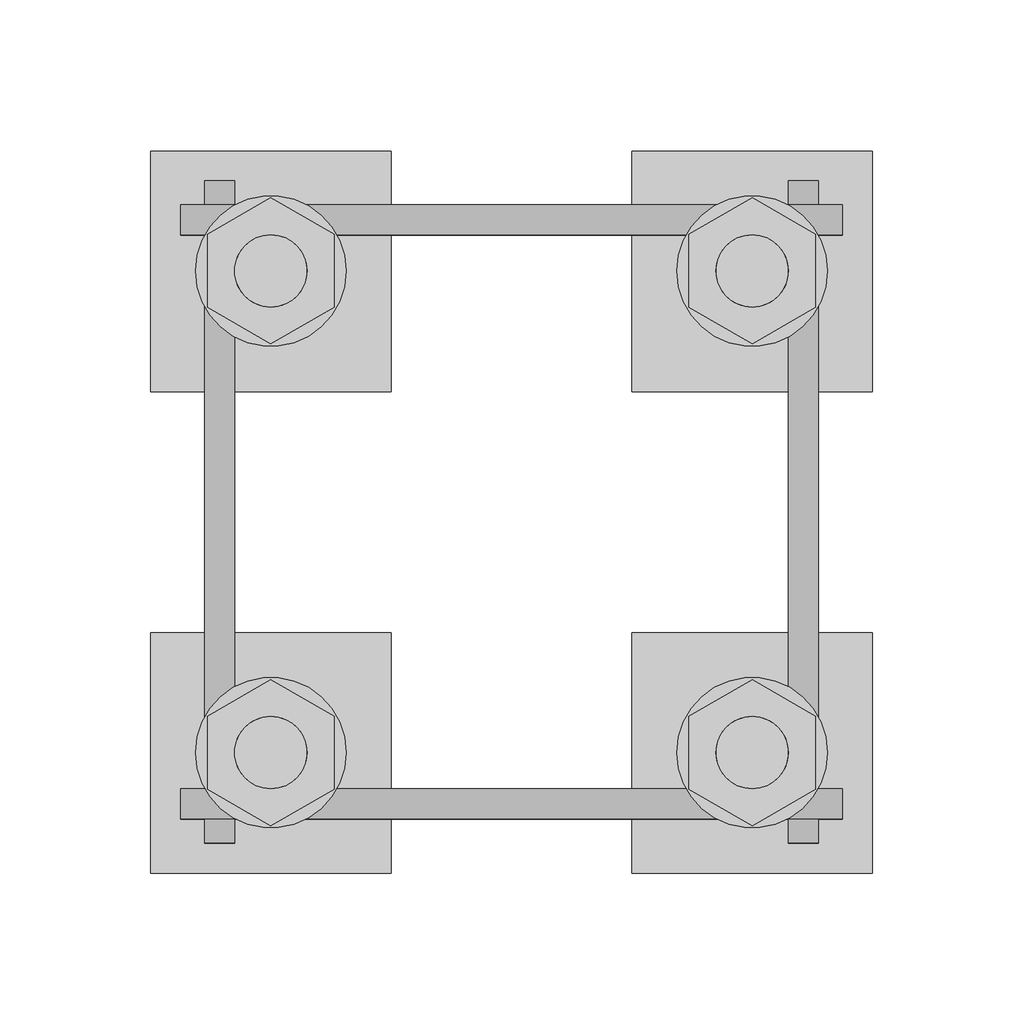
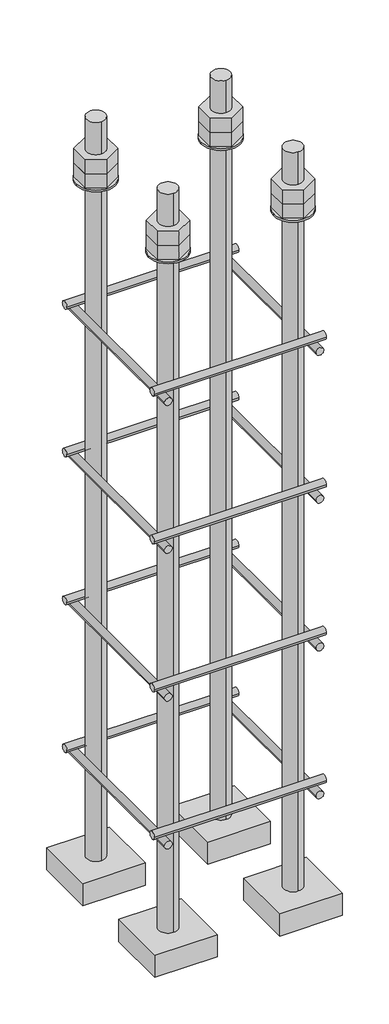
# One storey, part 13 of 66: 1 fastener.
"""IFC4 building model written with IfcOpenShell, lengths in millimetres."""

from ifc_helpers import new_model, si_unit, point, frame, frame_2d, origin, place, context, project, spatial, polyline, circle_curve, trimmed, segment, composite_curve, outline, extrude, element, save
from ifc_brep_helpers import plane_surface, cylinder_surface, advanced_brep

model = new_model("IFC4")

# Units and contexts
model_context = context("Model", 3, world=origin())
ifc_project = project(units=[si_unit("LENGTHUNIT", "METRE", prefix="MILLI")], contexts=[model_context])

# Site, building, storey
site = spatial("IfcSite", under=ifc_project)
building = spatial("IfcBuilding", under=site)
storey = spatial("IfcBuildingStorey", under=building, Elevation=9070.0)

# Fastener
placement = place(None, origin())
element("IfcFastener", 1, ObjectType="AU1 : AU-01", at=placement, inside=storey, context=model_context, shape_type="SolidModel", body=[
    extrude(outline(composite_curve([segment(trimmed(circle_curve(frame_2d((20703.0, 8395.0)), 5.0), [point((20698.0, 8395.0))], [point((20708.0, 8395.0))], False, "CARTESIAN"), True, "CONTINUOUS"), segment(trimmed(circle_curve(frame_2d((20703.0, 8395.0)), 5.0), [point((20708.0, 8395.0))], [point((20698.0, 8395.0))], False, "CARTESIAN"), True, "CONTINUOUS")], self_intersect=False)), frame((27890.0, 0.0, 0.0), z_axis=(1.0, 0.0, 0.0), x_axis=(0.0, 1.0, 0.0)), (0.0, 0.0, 1.0), 220.0),
    extrude(outline(composite_curve([segment(trimmed(circle_curve(frame_2d((20897.0, 8395.0)), 5.0), [point((20902.0, 8395.0))], [point((20892.0, 8395.0))], False, "CARTESIAN"), True, "CONTINUOUS"), segment(trimmed(circle_curve(frame_2d((20897.0, 8395.0)), 5.0), [point((20892.0, 8395.0))], [point((20902.0, 8395.0))], False, "CARTESIAN"), True, "CONTINUOUS")], self_intersect=False)), frame((27890.0, 0.0, 0.0), z_axis=(1.0, 0.0, 0.0), x_axis=(0.0, 1.0, 0.0)), (0.0, 0.0, 1.0), 220.0),
    extrude(outline(composite_curve([segment(trimmed(circle_curve(frame_2d((8385.0, 27903.0)), 5.0), [point((8385.0, 27898.0))], [point((8385.0, 27908.0))], False, "CARTESIAN"), True, "CONTINUOUS"), segment(trimmed(circle_curve(frame_2d((8385.0, 27903.0)), 5.0), [point((8385.0, 27908.0))], [point((8385.0, 27898.0))], False, "CARTESIAN"), True, "CONTINUOUS")], self_intersect=False)), frame((0.0, 20690.0, 0.0), z_axis=(0.0, 1.0, 0.0), x_axis=(0.0, 0.0, 1.0)), (0.0, 0.0, 1.0), 220.0),
    extrude(outline(composite_curve([segment(trimmed(circle_curve(frame_2d((8385.0, 28097.0)), 5.0), [point((8385.0, 28102.0))], [point((8385.0, 28092.0))], False, "CARTESIAN"), True, "CONTINUOUS"), segment(trimmed(circle_curve(frame_2d((8385.0, 28097.0)), 5.0), [point((8385.0, 28092.0))], [point((8385.0, 28102.0))], False, "CARTESIAN"), True, "CONTINUOUS")], self_intersect=False)), frame((0.0, 20690.0, 0.0), z_axis=(0.0, 1.0, 0.0), x_axis=(0.0, 0.0, 1.0)), (0.0, 0.0, 1.0), 220.0),
    extrude(outline(composite_curve([segment(trimmed(circle_curve(frame_2d((20703.0, 8595.0)), 5.0), [point((20698.0, 8595.0))], [point((20708.0, 8595.0))], False, "CARTESIAN"), True, "CONTINUOUS"), segment(trimmed(circle_curve(frame_2d((20703.0, 8595.0)), 5.0), [point((20708.0, 8595.0))], [point((20698.0, 8595.0))], False, "CARTESIAN"), True, "CONTINUOUS")], self_intersect=False)), frame((27890.0, 0.0, 0.0), z_axis=(1.0, 0.0, 0.0), x_axis=(0.0, 1.0, 0.0)), (0.0, 0.0, 1.0), 220.0),
    extrude(outline(composite_curve([segment(trimmed(circle_curve(frame_2d((20897.0, 8595.0)), 5.0), [point((20902.0, 8595.0))], [point((20892.0, 8595.0))], False, "CARTESIAN"), True, "CONTINUOUS"), segment(trimmed(circle_curve(frame_2d((20897.0, 8595.0)), 5.0), [point((20892.0, 8595.0))], [point((20902.0, 8595.0))], False, "CARTESIAN"), True, "CONTINUOUS")], self_intersect=False)), frame((27890.0, 0.0, 0.0), z_axis=(1.0, 0.0, 0.0), x_axis=(0.0, 1.0, 0.0)), (0.0, 0.0, 1.0), 220.0),
    extrude(outline(composite_curve([segment(trimmed(circle_curve(frame_2d((8585.0, 27903.0)), 5.0), [point((8585.0, 27898.0))], [point((8585.0, 27908.0))], False, "CARTESIAN"), True, "CONTINUOUS"), segment(trimmed(circle_curve(frame_2d((8585.0, 27903.0)), 5.0), [point((8585.0, 27908.0))], [point((8585.0, 27898.0))], False, "CARTESIAN"), True, "CONTINUOUS")], self_intersect=False)), frame((0.0, 20690.0, 0.0), z_axis=(0.0, 1.0, 0.0), x_axis=(0.0, 0.0, 1.0)), (0.0, 0.0, 1.0), 220.0),
    extrude(outline(composite_curve([segment(trimmed(circle_curve(frame_2d((8585.0, 28097.0)), 5.0), [point((8585.0, 28102.0))], [point((8585.0, 28092.0))], False, "CARTESIAN"), True, "CONTINUOUS"), segment(trimmed(circle_curve(frame_2d((8585.0, 28097.0)), 5.0), [point((8585.0, 28092.0))], [point((8585.0, 28102.0))], False, "CARTESIAN"), True, "CONTINUOUS")], self_intersect=False)), frame((0.0, 20690.0, 0.0), z_axis=(0.0, 1.0, 0.0), x_axis=(0.0, 0.0, 1.0)), (0.0, 0.0, 1.0), 220.0),
    extrude(outline(composite_curve([segment(trimmed(circle_curve(frame_2d((20703.0, 8795.0)), 5.0), [point((20698.0, 8795.0))], [point((20708.0, 8795.0))], False, "CARTESIAN"), True, "CONTINUOUS"), segment(trimmed(circle_curve(frame_2d((20703.0, 8795.0)), 5.0), [point((20708.0, 8795.0))], [point((20698.0, 8795.0))], False, "CARTESIAN"), True, "CONTINUOUS")], self_intersect=False)), frame((27890.0, 0.0, 0.0), z_axis=(1.0, 0.0, 0.0), x_axis=(0.0, 1.0, 0.0)), (0.0, 0.0, 1.0), 220.0),
    extrude(outline(composite_curve([segment(trimmed(circle_curve(frame_2d((20897.0, 8795.0)), 5.0), [point((20902.0, 8795.0))], [point((20892.0, 8795.0))], False, "CARTESIAN"), True, "CONTINUOUS"), segment(trimmed(circle_curve(frame_2d((20897.0, 8795.0)), 5.0), [point((20892.0, 8795.0))], [point((20902.0, 8795.0))], False, "CARTESIAN"), True, "CONTINUOUS")], self_intersect=False)), frame((27890.0, 0.0, 0.0), z_axis=(1.0, 0.0, 0.0), x_axis=(0.0, 1.0, 0.0)), (0.0, 0.0, 1.0), 220.0),
    extrude(outline(composite_curve([segment(trimmed(circle_curve(frame_2d((8785.0, 27903.0)), 5.0), [point((8785.0, 27898.0))], [point((8785.0, 27908.0))], False, "CARTESIAN"), True, "CONTINUOUS"), segment(trimmed(circle_curve(frame_2d((8785.0, 27903.0)), 5.0), [point((8785.0, 27908.0))], [point((8785.0, 27898.0))], False, "CARTESIAN"), True, "CONTINUOUS")], self_intersect=False)), frame((0.0, 20690.0, 0.0), z_axis=(0.0, 1.0, 0.0), x_axis=(0.0, 0.0, 1.0)), (0.0, 0.0, 1.0), 220.0),
    extrude(outline(composite_curve([segment(trimmed(circle_curve(frame_2d((8785.0, 28097.0)), 5.0), [point((8785.0, 28102.0))], [point((8785.0, 28092.0))], False, "CARTESIAN"), True, "CONTINUOUS"), segment(trimmed(circle_curve(frame_2d((8785.0, 28097.0)), 5.0), [point((8785.0, 28092.0))], [point((8785.0, 28102.0))], False, "CARTESIAN"), True, "CONTINUOUS")], self_intersect=False)), frame((0.0, 20690.0, 0.0), z_axis=(0.0, 1.0, 0.0), x_axis=(0.0, 0.0, 1.0)), (0.0, 0.0, 1.0), 220.0),
    extrude(outline(composite_curve([segment(trimmed(circle_curve(frame_2d((20703.0, 8995.0)), 5.0), [point((20698.0, 8995.0))], [point((20708.0, 8995.0))], False, "CARTESIAN"), True, "CONTINUOUS"), segment(trimmed(circle_curve(frame_2d((20703.0, 8995.0)), 5.0), [point((20708.0, 8995.0))], [point((20698.0, 8995.0))], False, "CARTESIAN"), True, "CONTINUOUS")], self_intersect=False)), frame((27890.0, 0.0, 0.0), z_axis=(1.0, 0.0, 0.0), x_axis=(0.0, 1.0, 0.0)), (0.0, 0.0, 1.0), 220.0),
    extrude(outline(composite_curve([segment(trimmed(circle_curve(frame_2d((20897.0, 8995.0)), 5.0), [point((20902.0, 8995.0))], [point((20892.0, 8995.0))], False, "CARTESIAN"), True, "CONTINUOUS"), segment(trimmed(circle_curve(frame_2d((20897.0, 8995.0)), 5.0), [point((20892.0, 8995.0))], [point((20902.0, 8995.0))], False, "CARTESIAN"), True, "CONTINUOUS")], self_intersect=False)), frame((27890.0, 0.0, 0.0), z_axis=(1.0, 0.0, 0.0), x_axis=(0.0, 1.0, 0.0)), (0.0, 0.0, 1.0), 220.0),
    extrude(outline(composite_curve([segment(trimmed(circle_curve(frame_2d((8985.0, 27903.0)), 5.0), [point((8985.0, 27898.0))], [point((8985.0, 27908.0))], False, "CARTESIAN"), True, "CONTINUOUS"), segment(trimmed(circle_curve(frame_2d((8985.0, 27903.0)), 5.0), [point((8985.0, 27908.0))], [point((8985.0, 27898.0))], False, "CARTESIAN"), True, "CONTINUOUS")], self_intersect=False)), frame((0.0, 20690.0, 0.0), z_axis=(0.0, 1.0, 0.0), x_axis=(0.0, 0.0, 1.0)), (0.0, 0.0, 1.0), 220.0),
    extrude(outline(composite_curve([segment(trimmed(circle_curve(frame_2d((8985.0, 28097.0)), 5.0), [point((8985.0, 28102.0))], [point((8985.0, 28092.0))], False, "CARTESIAN"), True, "CONTINUOUS"), segment(trimmed(circle_curve(frame_2d((8985.0, 28097.0)), 5.0), [point((8985.0, 28092.0))], [point((8985.0, 28102.0))], False, "CARTESIAN"), True, "CONTINUOUS")], self_intersect=False)), frame((0.0, 20690.0, 0.0), z_axis=(0.0, 1.0, 0.0), x_axis=(0.0, 0.0, 1.0)), (0.0, 0.0, 1.0), 220.0),
    advanced_brep(
    [(27960.0, 20920.0, 8250.0), (27880.0, 20920.0, 8250.0), (27880.0, 20840.0, 8250.0), (27960.0, 20840.0, 8250.0), (27920.0, 20868.0, 8250.0), (27920.0, 20892.0, 8250.0), (27960.0, 20920.0, 8220.0), (27960.0, 20840.0, 8220.0), (27880.0, 20840.0, 8220.0), (27880.0, 20920.0, 8220.0), (27920.0, 20892.0, 9250.0), (27920.0, 20868.0, 9250.0)],
    [
        (0, 1),
        (1, 2),
        (2, 3),
        (3, 0),
        (4, 5, circle_curve(frame((27920.0, 20880.0, 8250.0), z_axis=(0.0, 0.0, -1.0), x_axis=(0.0, -1.0, 0.0)), 12.0)),
        (5, 4, circle_curve(frame((27920.0, 20880.0, 8250.0), z_axis=(0.0, 0.0, -1.0), x_axis=(0.0, -1.0, 0.0)), 12.0)),
        (6, 7),
        (7, 8),
        (8, 9),
        (9, 6),
        (0, 6),
        (9, 1),
        (8, 2),
        (7, 3),
        (10, 11, circle_curve(frame((27920.0, 20880.0, 9250.0), z_axis=(0.0, 0.0, 1.0), x_axis=(0.0, -1.0, 0.0)), 12.0)),
        (11, 10, circle_curve(frame((27920.0, 20880.0, 9250.0), z_axis=(0.0, 0.0, 1.0), x_axis=(0.0, -1.0, 0.0)), 12.0)),
        (10, 5),
        (4, 11),
    ],
    [
        plane_surface(frame((27880.0, 20920.0, 8250.0), z_axis=(0.0, 0.0, 1.0), x_axis=(-1.0, 0.0, 0.0))),
        plane_surface(frame((27880.0, 20920.0, 8220.0), z_axis=(0.0, 0.0, -1.0), x_axis=(1.0, 0.0, 0.0))),
        plane_surface(frame((27960.0, 20920.0, 8250.0), z_axis=(0.0, 1.0, 0.0), x_axis=(0.0, 0.0, -1.0))),
        plane_surface(frame((27880.0, 20920.0, 8250.0), z_axis=(-1.0, 0.0, 0.0), x_axis=(0.0, 0.0, -1.0))),
        plane_surface(frame((27880.0, 20840.0, 8250.0), z_axis=(0.0, -1.0, 0.0), x_axis=(0.0, 0.0, -1.0))),
        plane_surface(frame((27960.0, 20840.0, 8250.0), z_axis=(1.0, 0.0, 0.0), x_axis=(0.0, 0.0, -1.0))),
        plane_surface(frame((27920.0, 20880.0, 9250.0), z_axis=(0.0, 0.0, 1.0), x_axis=(0.0, -1.0, 0.0))),
        cylinder_surface(frame((27920.0, 20880.0, 9250.0), z_axis=(0.0, 0.0, 1.0), x_axis=(0.0, -1.0, 0.0)), 12.0),
    ],
    [
        (0, [[1, 2, 3, 4], [5, 6]]),
        (1, [[7, 8, 9, 10]]),
        (2, [[-1, 11, -10, 12]]),
        (3, [[-2, -12, -9, 13]]),
        (4, [[-3, -13, -8, 14]]),
        (5, [[-4, -14, -7, -11]]),
        (6, [[15, 16]]),
        (7, [[-15, 17, -5, 18]]),
        (7, [[-16, -18, -6, -17]]),
    ],
),
    extrude(outline(composite_curve([segment(trimmed(circle_curve(frame_2d((27920.0, 20880.0)), 25.0), [point((27945.0, 20880.0))], [point((27895.0, 20880.0))], False, "CARTESIAN"), True, "CONTINUOUS"), segment(trimmed(circle_curve(frame_2d((27920.0, 20880.0)), 25.0), [point((27895.0, 20880.0))], [point((27945.0, 20880.0))], False, "CARTESIAN"), True, "CONTINUOUS")], self_intersect=False), holes=[composite_curve([segment(trimmed(circle_curve(frame_2d((27920.0, 20880.0)), 12.0), [point((27932.0, 20880.0))], [point((27908.0, 20880.0))], True, "CARTESIAN"), True, "CONTINUOUS"), segment(trimmed(circle_curve(frame_2d((27920.0, 20880.0)), 12.0), [point((27908.0, 20880.0))], [point((27932.0, 20880.0))], True, "CARTESIAN"), True, "CONTINUOUS")], self_intersect=False)]), frame((0.0, 0.0, 9165.0), z_axis=(0.0, 0.0, 1.0), x_axis=(1.0, 0.0, 0.0)), (0.0, 0.0, 1.0), 2.5),
    extrude(outline(polyline([(27920.0, 20904.2487113), (27941.0, 20892.1243557), (27941.0, 20867.8756443), (27920.0, 20855.7512887), (27899.0, 20867.8756443), (27899.0, 20892.1243557), (27920.0, 20904.2487113)]), holes=[composite_curve([segment(trimmed(circle_curve(frame_2d((27920.0, 20880.0)), 12.0), [point((27932.0, 20880.0))], [point((27908.0, 20880.0))], True, "CARTESIAN"), True, "CONTINUOUS"), segment(trimmed(circle_curve(frame_2d((27920.0, 20880.0)), 12.0), [point((27908.0, 20880.0))], [point((27932.0, 20880.0))], True, "CARTESIAN"), True, "CONTINUOUS")], self_intersect=False)]), frame((0.0, 0.0, 9187.0), z_axis=(0.0, 0.0, 1.0), x_axis=(1.0, 0.0, 0.0)), (0.0, 0.0, 1.0), 19.5),
    extrude(outline(polyline([(27920.0, 20904.2487113), (27941.0, 20892.1243557), (27941.0, 20867.8756443), (27920.0, 20855.7512887), (27899.0, 20867.8756443), (27899.0, 20892.1243557), (27920.0, 20904.2487113)]), holes=[composite_curve([segment(trimmed(circle_curve(frame_2d((27920.0, 20880.0)), 12.0), [point((27932.0, 20880.0))], [point((27908.0, 20880.0))], True, "CARTESIAN"), True, "CONTINUOUS"), segment(trimmed(circle_curve(frame_2d((27920.0, 20880.0)), 12.0), [point((27908.0, 20880.0))], [point((27932.0, 20880.0))], True, "CARTESIAN"), True, "CONTINUOUS")], self_intersect=False)]), frame((0.0, 0.0, 9167.5), z_axis=(0.0, 0.0, 1.0), x_axis=(1.0, 0.0, 0.0)), (0.0, 0.0, 1.0), 19.5),
    advanced_brep(
    [(28040.0, 20840.0, 8250.0), (28120.0, 20840.0, 8250.0), (28120.0, 20920.0, 8250.0), (28040.0, 20920.0, 8250.0), (28080.0, 20892.0, 8250.0), (28080.0, 20868.0, 8250.0), (28040.0, 20840.0, 8220.0), (28040.0, 20920.0, 8220.0), (28120.0, 20920.0, 8220.0), (28120.0, 20840.0, 8220.0), (28080.0, 20868.0, 9250.0), (28080.0, 20892.0, 9250.0)],
    [
        (0, 1),
        (1, 2),
        (2, 3),
        (3, 0),
        (4, 5, circle_curve(frame((28080.0, 20880.0, 8250.0), z_axis=(0.0, 0.0, -1.0), x_axis=(0.0, 1.0, 0.0)), 12.0)),
        (5, 4, circle_curve(frame((28080.0, 20880.0, 8250.0), z_axis=(0.0, 0.0, -1.0), x_axis=(0.0, 1.0, 0.0)), 12.0)),
        (6, 7),
        (7, 8),
        (8, 9),
        (9, 6),
        (0, 6),
        (9, 1),
        (8, 2),
        (7, 3),
        (10, 11, circle_curve(frame((28080.0, 20880.0, 9250.0), z_axis=(0.0, 0.0, 1.0), x_axis=(0.0, 1.0, 0.0)), 12.0)),
        (11, 10, circle_curve(frame((28080.0, 20880.0, 9250.0), z_axis=(0.0, 0.0, 1.0), x_axis=(0.0, 1.0, 0.0)), 12.0)),
        (10, 5),
        (4, 11),
    ],
    [
        plane_surface(frame((28120.0, 20840.0, 8250.0), z_axis=(0.0, 0.0, 1.0), x_axis=(1.0, 0.0, 0.0))),
        plane_surface(frame((28120.0, 20840.0, 8220.0), z_axis=(0.0, 0.0, -1.0), x_axis=(-1.0, 0.0, 0.0))),
        plane_surface(frame((28040.0, 20840.0, 8250.0), z_axis=(0.0, -1.0, 0.0), x_axis=(0.0, 0.0, -1.0))),
        plane_surface(frame((28120.0, 20840.0, 8250.0), z_axis=(1.0, 0.0, 0.0), x_axis=(0.0, 0.0, -1.0))),
        plane_surface(frame((28120.0, 20920.0, 8250.0), z_axis=(0.0, 1.0, 0.0), x_axis=(0.0, 0.0, -1.0))),
        plane_surface(frame((28040.0, 20920.0, 8250.0), z_axis=(-1.0, 0.0, 0.0), x_axis=(0.0, 0.0, -1.0))),
        plane_surface(frame((28080.0, 20880.0, 9250.0), z_axis=(0.0, 0.0, 1.0), x_axis=(0.0, 1.0, 0.0))),
        cylinder_surface(frame((28080.0, 20880.0, 9250.0), z_axis=(0.0, 0.0, 1.0), x_axis=(0.0, 1.0, 0.0)), 12.0),
    ],
    [
        (0, [[1, 2, 3, 4], [5, 6]]),
        (1, [[7, 8, 9, 10]]),
        (2, [[-1, 11, -10, 12]]),
        (3, [[-2, -12, -9, 13]]),
        (4, [[-3, -13, -8, 14]]),
        (5, [[-4, -14, -7, -11]]),
        (6, [[15, 16]]),
        (7, [[-15, 17, -5, 18]]),
        (7, [[-16, -18, -6, -17]]),
    ],
),
    extrude(outline(composite_curve([segment(trimmed(circle_curve(frame_2d((28080.0, 20880.0)), 25.0), [point((28055.0, 20880.0))], [point((28105.0, 20880.0))], False, "CARTESIAN"), True, "CONTINUOUS"), segment(trimmed(circle_curve(frame_2d((28080.0, 20880.0)), 25.0), [point((28105.0, 20880.0))], [point((28055.0, 20880.0))], False, "CARTESIAN"), True, "CONTINUOUS")], self_intersect=False), holes=[composite_curve([segment(trimmed(circle_curve(frame_2d((28080.0, 20880.0)), 12.0), [point((28068.0, 20880.0))], [point((28092.0, 20880.0))], True, "CARTESIAN"), True, "CONTINUOUS"), segment(trimmed(circle_curve(frame_2d((28080.0, 20880.0)), 12.0), [point((28092.0, 20880.0))], [point((28068.0, 20880.0))], True, "CARTESIAN"), True, "CONTINUOUS")], self_intersect=False)]), frame((0.0, 0.0, 9165.0), z_axis=(0.0, 0.0, 1.0), x_axis=(1.0, 0.0, 0.0)), (0.0, 0.0, 1.0), 2.5),
    extrude(outline(polyline([(28080.0, 20855.7512887), (28059.0, 20867.8756443), (28059.0, 20892.1243557), (28080.0, 20904.2487113), (28101.0, 20892.1243557), (28101.0, 20867.8756443), (28080.0, 20855.7512887)]), holes=[composite_curve([segment(trimmed(circle_curve(frame_2d((28080.0, 20880.0)), 12.0), [point((28068.0, 20880.0))], [point((28092.0, 20880.0))], True, "CARTESIAN"), True, "CONTINUOUS"), segment(trimmed(circle_curve(frame_2d((28080.0, 20880.0)), 12.0), [point((28092.0, 20880.0))], [point((28068.0, 20880.0))], True, "CARTESIAN"), True, "CONTINUOUS")], self_intersect=False)]), frame((0.0, 0.0, 9187.0), z_axis=(0.0, 0.0, 1.0), x_axis=(1.0, 0.0, 0.0)), (0.0, 0.0, 1.0), 19.5),
    extrude(outline(polyline([(28080.0, 20855.7512887), (28059.0, 20867.8756443), (28059.0, 20892.1243557), (28080.0, 20904.2487113), (28101.0, 20892.1243557), (28101.0, 20867.8756443), (28080.0, 20855.7512887)]), holes=[composite_curve([segment(trimmed(circle_curve(frame_2d((28080.0, 20880.0)), 12.0), [point((28068.0, 20880.0))], [point((28092.0, 20880.0))], True, "CARTESIAN"), True, "CONTINUOUS"), segment(trimmed(circle_curve(frame_2d((28080.0, 20880.0)), 12.0), [point((28092.0, 20880.0))], [point((28068.0, 20880.0))], True, "CARTESIAN"), True, "CONTINUOUS")], self_intersect=False)]), frame((0.0, 0.0, 9167.5), z_axis=(0.0, 0.0, 1.0), x_axis=(1.0, 0.0, 0.0)), (0.0, 0.0, 1.0), 19.5),
    advanced_brep(
    [(28040.0, 20680.0, 8250.0), (28120.0, 20680.0, 8250.0), (28120.0, 20760.0, 8250.0), (28040.0, 20760.0, 8250.0), (28080.0, 20732.0, 8250.0), (28080.0, 20708.0, 8250.0), (28040.0, 20680.0, 8220.0), (28040.0, 20760.0, 8220.0), (28120.0, 20760.0, 8220.0), (28120.0, 20680.0, 8220.0), (28080.0, 20708.0, 9250.0), (28080.0, 20732.0, 9250.0)],
    [
        (0, 1),
        (1, 2),
        (2, 3),
        (3, 0),
        (4, 5, circle_curve(frame((28080.0, 20720.0, 8250.0), z_axis=(0.0, 0.0, -1.0), x_axis=(0.0, 1.0, 0.0)), 12.0)),
        (5, 4, circle_curve(frame((28080.0, 20720.0, 8250.0), z_axis=(0.0, 0.0, -1.0), x_axis=(0.0, 1.0, 0.0)), 12.0)),
        (6, 7),
        (7, 8),
        (8, 9),
        (9, 6),
        (0, 6),
        (9, 1),
        (8, 2),
        (7, 3),
        (10, 11, circle_curve(frame((28080.0, 20720.0, 9250.0), z_axis=(0.0, 0.0, 1.0), x_axis=(0.0, 1.0, 0.0)), 12.0)),
        (11, 10, circle_curve(frame((28080.0, 20720.0, 9250.0), z_axis=(0.0, 0.0, 1.0), x_axis=(0.0, 1.0, 0.0)), 12.0)),
        (10, 5),
        (4, 11),
    ],
    [
        plane_surface(frame((28120.0, 20680.0, 8250.0), z_axis=(0.0, 0.0, 1.0), x_axis=(1.0, 0.0, 0.0))),
        plane_surface(frame((28120.0, 20680.0, 8220.0), z_axis=(0.0, 0.0, -1.0), x_axis=(-1.0, 0.0, 0.0))),
        plane_surface(frame((28040.0, 20680.0, 8250.0), z_axis=(0.0, -1.0, 0.0), x_axis=(0.0, 0.0, -1.0))),
        plane_surface(frame((28120.0, 20680.0, 8250.0), z_axis=(1.0, 0.0, 0.0), x_axis=(0.0, 0.0, -1.0))),
        plane_surface(frame((28120.0, 20760.0, 8250.0), z_axis=(0.0, 1.0, 0.0), x_axis=(0.0, 0.0, -1.0))),
        plane_surface(frame((28040.0, 20760.0, 8250.0), z_axis=(-1.0, 0.0, 0.0), x_axis=(0.0, 0.0, -1.0))),
        plane_surface(frame((28080.0, 20720.0, 9250.0), z_axis=(0.0, 0.0, 1.0), x_axis=(0.0, 1.0, 0.0))),
        cylinder_surface(frame((28080.0, 20720.0, 9250.0), z_axis=(0.0, 0.0, 1.0), x_axis=(0.0, 1.0, 0.0)), 12.0),
    ],
    [
        (0, [[1, 2, 3, 4], [5, 6]]),
        (1, [[7, 8, 9, 10]]),
        (2, [[-1, 11, -10, 12]]),
        (3, [[-2, -12, -9, 13]]),
        (4, [[-3, -13, -8, 14]]),
        (5, [[-4, -14, -7, -11]]),
        (6, [[15, 16]]),
        (7, [[-15, 17, -5, 18]]),
        (7, [[-16, -18, -6, -17]]),
    ],
),
    extrude(outline(composite_curve([segment(trimmed(circle_curve(frame_2d((28080.0, 20720.0)), 25.0), [point((28055.0, 20720.0))], [point((28105.0, 20720.0))], False, "CARTESIAN"), True, "CONTINUOUS"), segment(trimmed(circle_curve(frame_2d((28080.0, 20720.0)), 25.0), [point((28105.0, 20720.0))], [point((28055.0, 20720.0))], False, "CARTESIAN"), True, "CONTINUOUS")], self_intersect=False), holes=[composite_curve([segment(trimmed(circle_curve(frame_2d((28080.0, 20720.0)), 12.0), [point((28068.0, 20720.0))], [point((28092.0, 20720.0))], True, "CARTESIAN"), True, "CONTINUOUS"), segment(trimmed(circle_curve(frame_2d((28080.0, 20720.0)), 12.0), [point((28092.0, 20720.0))], [point((28068.0, 20720.0))], True, "CARTESIAN"), True, "CONTINUOUS")], self_intersect=False)]), frame((0.0, 0.0, 9165.0), z_axis=(0.0, 0.0, 1.0), x_axis=(1.0, 0.0, 0.0)), (0.0, 0.0, 1.0), 2.5),
    extrude(outline(polyline([(28080.0, 20695.7512887), (28059.0, 20707.8756443), (28059.0, 20732.1243557), (28080.0, 20744.2487113), (28101.0, 20732.1243557), (28101.0, 20707.8756443), (28080.0, 20695.7512887)]), holes=[composite_curve([segment(trimmed(circle_curve(frame_2d((28080.0, 20720.0)), 12.0), [point((28068.0, 20720.0))], [point((28092.0, 20720.0))], True, "CARTESIAN"), True, "CONTINUOUS"), segment(trimmed(circle_curve(frame_2d((28080.0, 20720.0)), 12.0), [point((28092.0, 20720.0))], [point((28068.0, 20720.0))], True, "CARTESIAN"), True, "CONTINUOUS")], self_intersect=False)]), frame((0.0, 0.0, 9187.0), z_axis=(0.0, 0.0, 1.0), x_axis=(1.0, 0.0, 0.0)), (0.0, 0.0, 1.0), 19.5),
    extrude(outline(polyline([(28080.0, 20695.7512887), (28059.0, 20707.8756443), (28059.0, 20732.1243557), (28080.0, 20744.2487113), (28101.0, 20732.1243557), (28101.0, 20707.8756443), (28080.0, 20695.7512887)]), holes=[composite_curve([segment(trimmed(circle_curve(frame_2d((28080.0, 20720.0)), 12.0), [point((28068.0, 20720.0))], [point((28092.0, 20720.0))], True, "CARTESIAN"), True, "CONTINUOUS"), segment(trimmed(circle_curve(frame_2d((28080.0, 20720.0)), 12.0), [point((28092.0, 20720.0))], [point((28068.0, 20720.0))], True, "CARTESIAN"), True, "CONTINUOUS")], self_intersect=False)]), frame((0.0, 0.0, 9167.5), z_axis=(0.0, 0.0, 1.0), x_axis=(1.0, 0.0, 0.0)), (0.0, 0.0, 1.0), 19.5),
    advanced_brep(
    [(27960.0, 20760.0, 8250.0), (27880.0, 20760.0, 8250.0), (27880.0, 20680.0, 8250.0), (27960.0, 20680.0, 8250.0), (27920.0, 20708.0, 8250.0), (27920.0, 20732.0, 8250.0), (27960.0, 20760.0, 8220.0), (27960.0, 20680.0, 8220.0), (27880.0, 20680.0, 8220.0), (27880.0, 20760.0, 8220.0), (27920.0, 20732.0, 9250.0), (27920.0, 20708.0, 9250.0)],
    [
        (0, 1),
        (1, 2),
        (2, 3),
        (3, 0),
        (4, 5, circle_curve(frame((27920.0, 20720.0, 8250.0), z_axis=(0.0, 0.0, -1.0), x_axis=(0.0, -1.0, 0.0)), 12.0)),
        (5, 4, circle_curve(frame((27920.0, 20720.0, 8250.0), z_axis=(0.0, 0.0, -1.0), x_axis=(0.0, -1.0, 0.0)), 12.0)),
        (6, 7),
        (7, 8),
        (8, 9),
        (9, 6),
        (0, 6),
        (9, 1),
        (8, 2),
        (7, 3),
        (10, 11, circle_curve(frame((27920.0, 20720.0, 9250.0), z_axis=(0.0, 0.0, 1.0), x_axis=(0.0, -1.0, 0.0)), 12.0)),
        (11, 10, circle_curve(frame((27920.0, 20720.0, 9250.0), z_axis=(0.0, 0.0, 1.0), x_axis=(0.0, -1.0, 0.0)), 12.0)),
        (10, 5),
        (4, 11),
    ],
    [
        plane_surface(frame((27880.0, 20760.0, 8250.0), z_axis=(0.0, 0.0, 1.0), x_axis=(-1.0, 0.0, 0.0))),
        plane_surface(frame((27880.0, 20760.0, 8220.0), z_axis=(0.0, 0.0, -1.0), x_axis=(1.0, 0.0, 0.0))),
        plane_surface(frame((27960.0, 20760.0, 8250.0), z_axis=(0.0, 1.0, 0.0), x_axis=(0.0, 0.0, -1.0))),
        plane_surface(frame((27880.0, 20760.0, 8250.0), z_axis=(-1.0, 0.0, 0.0), x_axis=(0.0, 0.0, -1.0))),
        plane_surface(frame((27880.0, 20680.0, 8250.0), z_axis=(0.0, -1.0, 0.0), x_axis=(0.0, 0.0, -1.0))),
        plane_surface(frame((27960.0, 20680.0, 8250.0), z_axis=(1.0, 0.0, 0.0), x_axis=(0.0, 0.0, -1.0))),
        plane_surface(frame((27920.0, 20720.0, 9250.0), z_axis=(0.0, 0.0, 1.0), x_axis=(0.0, -1.0, 0.0))),
        cylinder_surface(frame((27920.0, 20720.0, 9250.0), z_axis=(0.0, 0.0, 1.0), x_axis=(0.0, -1.0, 0.0)), 12.0),
    ],
    [
        (0, [[1, 2, 3, 4], [5, 6]]),
        (1, [[7, 8, 9, 10]]),
        (2, [[-1, 11, -10, 12]]),
        (3, [[-2, -12, -9, 13]]),
        (4, [[-3, -13, -8, 14]]),
        (5, [[-4, -14, -7, -11]]),
        (6, [[15, 16]]),
        (7, [[-15, 17, -5, 18]]),
        (7, [[-16, -18, -6, -17]]),
    ],
),
    extrude(outline(composite_curve([segment(trimmed(circle_curve(frame_2d((27920.0, 20720.0)), 25.0), [point((27945.0, 20720.0))], [point((27895.0, 20720.0))], False, "CARTESIAN"), True, "CONTINUOUS"), segment(trimmed(circle_curve(frame_2d((27920.0, 20720.0)), 25.0), [point((27895.0, 20720.0))], [point((27945.0, 20720.0))], False, "CARTESIAN"), True, "CONTINUOUS")], self_intersect=False), holes=[composite_curve([segment(trimmed(circle_curve(frame_2d((27920.0, 20720.0)), 12.0), [point((27932.0, 20720.0))], [point((27908.0, 20720.0))], True, "CARTESIAN"), True, "CONTINUOUS"), segment(trimmed(circle_curve(frame_2d((27920.0, 20720.0)), 12.0), [point((27908.0, 20720.0))], [point((27932.0, 20720.0))], True, "CARTESIAN"), True, "CONTINUOUS")], self_intersect=False)]), frame((0.0, 0.0, 9165.0), z_axis=(0.0, 0.0, 1.0), x_axis=(1.0, 0.0, 0.0)), (0.0, 0.0, 1.0), 2.5),
    extrude(outline(polyline([(27920.0, 20744.2487113), (27941.0, 20732.1243557), (27941.0, 20707.8756443), (27920.0, 20695.7512887), (27899.0, 20707.8756443), (27899.0, 20732.1243557), (27920.0, 20744.2487113)]), holes=[composite_curve([segment(trimmed(circle_curve(frame_2d((27920.0, 20720.0)), 12.0), [point((27932.0, 20720.0))], [point((27908.0, 20720.0))], True, "CARTESIAN"), True, "CONTINUOUS"), segment(trimmed(circle_curve(frame_2d((27920.0, 20720.0)), 12.0), [point((27908.0, 20720.0))], [point((27932.0, 20720.0))], True, "CARTESIAN"), True, "CONTINUOUS")], self_intersect=False)]), frame((0.0, 0.0, 9187.0), z_axis=(0.0, 0.0, 1.0), x_axis=(1.0, 0.0, 0.0)), (0.0, 0.0, 1.0), 19.5),
    extrude(outline(polyline([(27920.0, 20744.2487113), (27941.0, 20732.1243557), (27941.0, 20707.8756443), (27920.0, 20695.7512887), (27899.0, 20707.8756443), (27899.0, 20732.1243557), (27920.0, 20744.2487113)]), holes=[composite_curve([segment(trimmed(circle_curve(frame_2d((27920.0, 20720.0)), 12.0), [point((27932.0, 20720.0))], [point((27908.0, 20720.0))], True, "CARTESIAN"), True, "CONTINUOUS"), segment(trimmed(circle_curve(frame_2d((27920.0, 20720.0)), 12.0), [point((27908.0, 20720.0))], [point((27932.0, 20720.0))], True, "CARTESIAN"), True, "CONTINUOUS")], self_intersect=False)]), frame((0.0, 0.0, 9167.5), z_axis=(0.0, 0.0, 1.0), x_axis=(1.0, 0.0, 0.0)), (0.0, 0.0, 1.0), 19.5),
])

save(model, "model.ifc")
